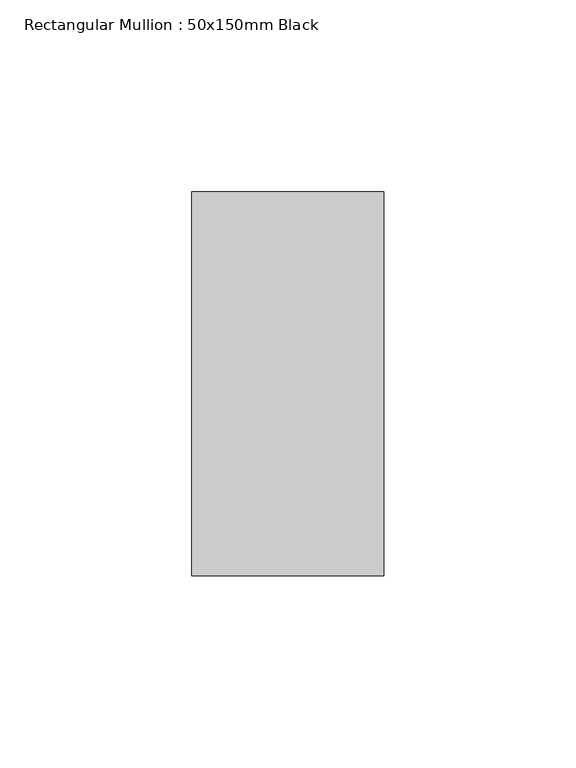
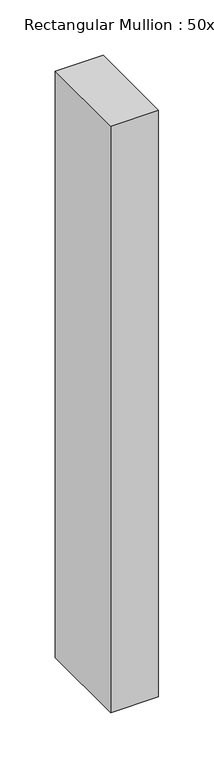
"""IFC4 building model written with IfcOpenShell, lengths in millimetres: member geometry, Rectangular Mullion : 50x150mm Black."""

from ifc_helpers import new_model, si_unit, frame, origin, place, context, project, spatial, polyline, outline, extrude, source, transform, mapped, element, save


def rectangular_mullion_50x150mm_black_94915f59(model_context):
    return source(origin(), model_context, "Body", "SweptSolid", [
        extrude(outline(polyline([(25.0, 50.0), (25.0, -50.0), (-25.0, -50.0), (-25.0, 50.0), (25.0, 50.0)])), frame((0.0, 0.0, -648.0), z_axis=(0.0, 0.0, 1.0), x_axis=(1.0, 0.0, 0.0)), (0.0, 0.0, 1.0), 648.0),
    ])


if __name__ == "__main__":
    model = new_model("IFC4")
    model_context = context("Model", 3, world=origin())
    ifc_project = project(units=[si_unit("LENGTHUNIT", "METRE", prefix="MILLI")], contexts=[model_context])
    site = spatial("IfcSite", under=ifc_project)
    building = spatial("IfcBuilding", under=site)
    placement = place(None, origin())
    rectangular_mullion_50x150mm_black_shape = rectangular_mullion_50x150mm_black_94915f59(model_context)
    element("IfcMember", 1, ObjectType="Rectangular Mullion : 50x150mm Black", at=placement, inside=building, context=model_context, shape_type="MappedRepresentation", body=[
        mapped(rectangular_mullion_50x150mm_black_shape, transform((0.0, 0.0, 0.0), x_axis=(1.0, 0.0, 0.0), y_axis=(0.0, 1.0, 0.0), z_axis=(0.0, 0.0, 1.0))),
    ])
    save(model, "model.ifc")
